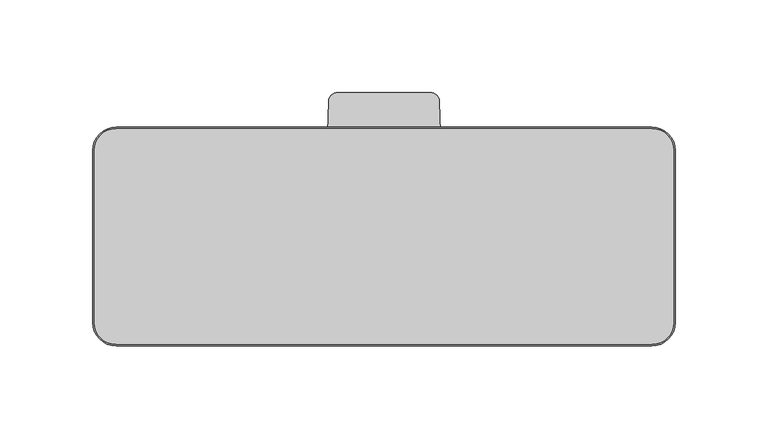
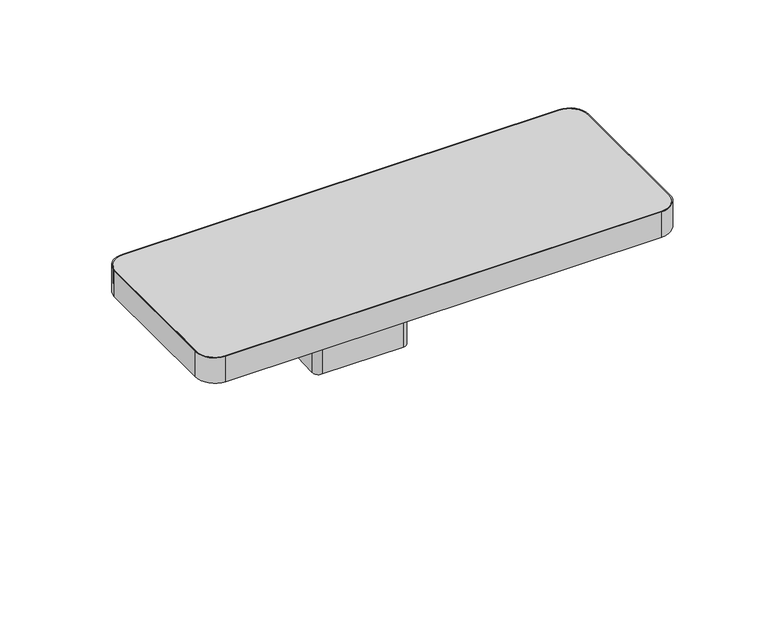
"""IFC4 building model written with IfcOpenShell, lengths in millimetres: furniture geometry."""

from ifc_helpers import new_model, si_unit, point, frame, frame_2d, origin, place, context, project, spatial, polyline, circle_curve, ellipse_curve, trimmed, segment, composite_curve, outline, extrude, source, transform, mapped, element, save
from ifc_brep_helpers import plane_surface, cylinder_surface, revolved_surface, advanced_brep


def furniture_bddc8b56(model_context):
    return source(origin(), model_context, "Body", "SolidModel", [
        extrude(outline(composite_curve([segment(trimmed(circle_curve(frame_2d((156.8628955, 34.0294017)), 2.8317204), [point((154.4105527, 35.4452603))], [point((156.8628955, 36.8611221))], False, "CARTESIAN"), True, "CONTINUOUS"), segment(polyline([(156.8628955, 36.8611221), (184.4029926, 36.8611221)]), True, "CONTINUOUS"), segment(trimmed(circle_curve(frame_2d((184.4029926, 35.3542475)), 1.5068746), [point((184.4029926, 36.8611221))], [point((185.7079839, 34.6008096))], False, "CARTESIAN"), True, "CONTINUOUS"), segment(polyline([(185.7079839, 34.6008096), (179.5098703, 23.8653748)]), True, "CONTINUOUS"), segment(trimmed(circle_curve(frame_2d((176.9425321, 25.34763)), 2.9645077), [point((179.5098703, 23.8653748))], [point((176.9425321, 22.3831223))], False, "CARTESIAN"), True, "CONTINUOUS"), segment(polyline([(176.9425321, 22.3831223), (149.4850524, 22.3831223)]), True, "CONTINUOUS"), segment(trimmed(circle_curve(frame_2d((149.4850524, 23.8934239)), 1.5103015), [point((149.4850524, 22.3831223))], [point((148.1770924, 24.6485738))], False, "CARTESIAN"), True, "CONTINUOUS"), segment(polyline([(148.1770924, 24.6485738), (154.4105527, 35.4452603)]), True, "CONTINUOUS")], self_intersect=False)), frame((0.0, 0.0, 664.3466583), z_axis=(0.0, 0.0, 1.0), x_axis=(1.0, 0.0, 0.0)), (0.0, 0.0, 1.0), 6.3499758),
        extrude(outline(composite_curve([segment(trimmed(circle_curve(frame_2d((166.9414998, 29.6060097)), 4.3703772), [point((171.311877, 29.6060097))], [point((162.5711225, 29.6060097))], False, "CARTESIAN"), True, "CONTINUOUS"), segment(trimmed(circle_curve(frame_2d((166.9414998, 29.6060097)), 4.3703772), [point((162.5711225, 29.6060097))], [point((171.311877, 29.6060097))], False, "CARTESIAN"), True, "CONTINUOUS")], self_intersect=False)), frame((0.0, 0.0, 656.1932316), z_axis=(0.0, 0.0, 1.0), x_axis=(1.0, 0.0, 0.0)), (0.0, 0.0, 1.0), 15.382782),
        advanced_brep(
        [(135.8452616, 4.647044, 763.7221333), (140.0971505, 0.2440849, 763.7221333), (193.785849, 0.2440849, 763.7221333), (198.0377379, 4.647044, 763.7221333), (197.8850226, 9.0202593, 763.7221333), (135.9979769, 9.0202593, 763.7221333), (142.0752315, 44.2440835, 671.5760136), (191.8077681, 44.2440835, 671.5760136), (196.8241502, 39.3998187, 671.5760136), (198.0377379, 4.647044, 671.5760136), (193.785849, 0.2440849, 671.5760136), (140.0971505, 0.2440849, 671.5760136), (135.8452616, 4.647044, 671.5760136), (137.0588493, 39.3998187, 671.5760136), (137.0588493, 39.3998187, 690.0453045), (142.0752315, 44.2440835, 689.9607474), (135.9979769, 9.0202593, 696.260042), (136.1964514, 14.7038529, 690.4763749), (196.8241502, 39.3998187, 690.0453045), (197.6865481, 14.7038529, 690.4763749), (197.8850226, 9.0202593, 696.260042), (191.8077681, 44.2440835, 689.9607474)],
        [
            (0, 1, circle_curve(frame((140.0971505, 4.4985655, 763.7221333), z_axis=(0.0, 0.0, 1.0), x_axis=(0.0, -1.0, 0.0)), 4.2544806)),
            (1, 2),
            (2, 3, circle_curve(frame((193.785849, 4.4985655, 763.7221333), z_axis=(0.0, 0.0, 1.0), x_axis=(0.0, -1.0, 0.0)), 4.2544806)),
            (3, 4),
            (4, 5),
            (5, 0),
            (6, 7),
            (7, 8, circle_curve(frame((191.8077681, 39.2246437, 671.5760136), z_axis=(0.0, 0.0, -1.0), x_axis=(0.0, -1.0, 0.0)), 5.0194399)),
            (8, 9),
            (9, 10, circle_curve(frame((193.785849, 4.4985655, 671.5760136), z_axis=(0.0, 0.0, -1.0), x_axis=(0.0, -1.0, 0.0)), 4.2544806)),
            (10, 11),
            (11, 12, circle_curve(frame((140.0971505, 4.4985655, 671.5760136), z_axis=(0.0, 0.0, -1.0), x_axis=(0.0, -1.0, 0.0)), 4.2544806)),
            (12, 13),
            (13, 6, circle_curve(frame((142.0752315, 39.2246437, 671.5760136), z_axis=(0.0, 0.0, -1.0), x_axis=(0.0, -1.0, 0.0)), 5.0194399)),
            (13, 14),
            (14, 15, ellipse_curve(frame((142.0752315, 39.2246437, 690.0483622), z_axis=(0.0, -0.017452436256974634, -0.9998476946358862), x_axis=(0.0, -0.9998476946358863, 0.017452436256970495)), 5.0202045, 5.0194399)),
            (15, 6),
            (12, 0),
            (5, 16),
            (16, 17, ellipse_curve(frame((136.1999768, 14.8048073, 696.260042), z_axis=(0.9993908330260296, -0.03489932468599737, 0.0), x_axis=(-0.034899324685995235, -0.9993908330260297, 0.0)), 5.788074, 5.7845481)),
            (17, 14),
            (11, 1),
            (10, 2),
            (9, 3),
            (8, 18),
            (18, 19),
            (19, 20, ellipse_curve(frame((197.6830227, 14.8048073, 696.260042), z_axis=(-0.9993908330260296, -0.034899324685997886, 0.0), x_axis=(-0.03489932468599472, 0.9993908330260296, 0.0)), 5.788074, 5.7845481)),
            (20, 4),
            (7, 21),
            (21, 18, ellipse_curve(frame((191.8077681, 39.2246437, 690.0483622), z_axis=(0.0, -0.017452436256974634, -0.9998476946358862), x_axis=(0.0, -0.9998476946358863, 0.017452436256970495)), 5.0202045, 5.0194399)),
            (15, 21),
            (17, 19),
            (16, 20),
        ],
        [
            plane_surface(frame((166.9414998, 0.0, 763.7221333), z_axis=(0.0, 0.0, 1.0), x_axis=(0.0, -1.0, 0.0))),
            plane_surface(frame((166.9414998, 0.0, 671.5760136), z_axis=(0.0, 0.0, -1.0), x_axis=(0.0, -1.0, 0.0))),
            cylinder_surface(frame((142.0752315, 39.2246437, 763.7221333), z_axis=(0.0, 0.0, 1.0), x_axis=(0.0, -1.0, 0.0)), 5.0194399),
            plane_surface(frame((137.0588493, 39.3998187, 763.7221333), z_axis=(-0.9993908330260296, 0.03489932468599737, 0.0), x_axis=(0.0, 0.0, -1.0))),
            cylinder_surface(frame((140.0971505, 4.4985655, 763.7221333), z_axis=(0.0, 0.0, 1.0), x_axis=(0.0, -1.0, 0.0)), 4.2544806),
            plane_surface(frame((140.0971505, 0.2440849, 763.7221333), z_axis=(0.0, -1.0, 0.0), x_axis=(0.0, 0.0, -1.0))),
            cylinder_surface(frame((193.785849, 4.4985655, 763.7221333), z_axis=(0.0, 0.0, 1.0), x_axis=(0.0, -1.0, 0.0)), 4.2544806),
            plane_surface(frame((198.0377379, 4.647044, 763.7221333), z_axis=(0.9993908330260296, 0.034899324685997886, 0.0), x_axis=(0.0, 0.0, -1.0))),
            cylinder_surface(frame((191.8077681, 39.2246437, 763.7221333), z_axis=(0.0, 0.0, 1.0), x_axis=(0.0, -1.0, 0.0)), 5.0194399),
            plane_surface(frame((191.8077681, 44.2440835, 763.7221333), z_axis=(0.0, 1.0, 0.0), x_axis=(0.0, 0.0, -1.0))),
            plane_surface(frame((132.9610456, 50.5257717, 689.8510999), z_axis=(0.0, 0.017452436256974634, 0.9998476946358862), x_axis=(1.0, 0.0, 0.0))),
            revolved_surface(polyline([(135.9979769, 20.589355400000002, 696.260042), (197.8850226, 20.589355400000002, 696.260042)]), (132.9610456, 14.8048073, 696.260042), (-1.0, 0.0, 0.0)),
            plane_surface(frame((132.9610456, 9.0202593, 696.260042), z_axis=(0.0, 1.0, 0.0), x_axis=(1.0, 0.0, 0.0))),
        ],
        [
            (0, [[1, 2, 3, 4, 5, 6]]),
            (1, [[7, 8, 9, 10, 11, 12, 13, 14]]),
            (2, [[-14, 15, 16, 17]]),
            (3, [[-13, 18, -6, 19, 20, 21, -15]]),
            (4, [[-1, -18, -12, 22]]),
            (5, [[-2, -22, -11, 23]]),
            (6, [[-3, -23, -10, 24]]),
            (7, [[-9, 25, 26, 27, 28, -4, -24]]),
            (8, [[-8, 29, 30, -25]]),
            (9, [[-7, -17, 31, -29]]),
            (10, [[32, -26, -30, -31, -16, -21]]),
            (11, [[-32, -20, 33, -27]]),
            (12, [[-33, -19, -5, -28]]),
        ],
    ),
        extrude(outline(composite_curve([segment(polyline([(122.2618323, 3.1905943), (122.2618323, 9.3751732), (154.4124498, 9.3751732), (154.4124498, -0.3522853), (146.1370102, -0.3522853), (145.0742878, -30.7841363)]), True, "CONTINUOUS"), segment(trimmed(circle_curve(frame_2d((129.1960237, -30.2296454)), 15.887943), [point((145.0742878, -30.7841363))], [point((129.1960237, -46.1175884))], False, "CARTESIAN"), True, "CONTINUOUS"), segment(polyline([(129.1960237, -46.1175884), (123.9837112, -46.1175884), (122.2618323, 3.1905943)]), True, "CONTINUOUS")], self_intersect=False)), frame((0.0, 0.0, 759.8576955), z_axis=(0.0, 0.0, 1.0), x_axis=(1.0, 0.0, 0.0)), (0.0, 0.0, 1.0), 3.8644377),
        extrude(outline(composite_curve([segment(polyline([(211.6211672, 3.1905943), (209.8992883, -46.1175884), (204.6869759, -46.1175884)]), True, "CONTINUOUS"), segment(trimmed(circle_curve(frame_2d((204.6869759, -30.2296454)), 15.887943), [point((204.6869759, -46.1175884))], [point((188.8087117, -30.7841363))], False, "CARTESIAN"), True, "CONTINUOUS"), segment(polyline([(188.8087117, -30.7841363), (187.7459893, -0.3522853), (179.4705497, -0.3522853), (179.4705497, 9.3751732), (211.6211672, 9.3751732), (211.6211672, 3.1905943)]), True, "CONTINUOUS")], self_intersect=False)), frame((0.0, 0.0, 759.8576955), z_axis=(0.0, 0.0, 1.0), x_axis=(1.0, 0.0, 0.0)), (0.0, 0.0, 1.0), 3.8644377),
        extrude(outline(composite_curve([segment(trimmed(circle_curve(frame_2d((311.4040179, -79.9168577)), 11.9176917), [point((323.3217097, -79.9168577))], [point((311.4040179, -91.8345494))], False, "CARTESIAN"), True, "CONTINUOUS"), segment(polyline([(311.4040179, -91.8345494), (22.4789952, -91.8345494)]), True, "CONTINUOUS"), segment(trimmed(circle_curve(frame_2d((22.4789952, -79.9168577)), 11.9176917), [point((22.4789952, -91.8345494))], [point((10.5613035, -79.9168577))], False, "CARTESIAN"), True, "CONTINUOUS"), segment(polyline([(10.5613035, -79.9168577), (10.5613035, 12.8936844)]), True, "CONTINUOUS"), segment(trimmed(circle_curve(frame_2d((22.4789952, 12.8936844)), 11.9176917), [point((10.5613035, 12.8936844))], [point((22.4789952, 24.8113762))], False, "CARTESIAN"), True, "CONTINUOUS"), segment(polyline([(22.4789952, 24.8113762), (311.4040179, 24.8113762)]), True, "CONTINUOUS"), segment(trimmed(circle_curve(frame_2d((311.4040179, 12.8936844)), 11.9176917), [point((311.4040179, 24.8113762))], [point((323.3217097, 12.8936844))], False, "CARTESIAN"), True, "CONTINUOUS"), segment(polyline([(323.3217097, 12.8936844), (323.3217097, -79.9168577)]), True, "CONTINUOUS")], self_intersect=False)), frame((0.0, 0.0, 769.8498842), z_axis=(0.0, 0.0, 1.0), x_axis=(1.0, 0.0, 0.0)), (0.0, 0.0, 1.0), 11.5251686),
        extrude(outline(composite_curve([segment(polyline([(9.7789952, -79.9168577), (9.7789952, 12.8936844)]), True, "CONTINUOUS"), segment(trimmed(circle_curve(frame_2d((22.4789952, 12.8936844)), 12.7), [point((9.7789952, 12.8936844))], [point((22.4789952, 25.5936844))], False, "CARTESIAN"), True, "CONTINUOUS"), segment(polyline([(22.4789952, 25.5936844), (311.4040179, 25.5936844)]), True, "CONTINUOUS"), segment(trimmed(circle_curve(frame_2d((311.4040179, 12.8936844)), 12.7), [point((311.4040179, 25.5936844))], [point((324.1040179, 12.8936844))], False, "CARTESIAN"), True, "CONTINUOUS"), segment(polyline([(324.1040179, 12.8936844), (324.1040179, -79.9168577)]), True, "CONTINUOUS"), segment(trimmed(circle_curve(frame_2d((311.4040179, -79.9168577)), 12.7), [point((324.1040179, -79.9168577))], [point((311.4040179, -92.6168577))], False, "CARTESIAN"), True, "CONTINUOUS"), segment(polyline([(311.4040179, -92.6168577), (22.4789952, -92.6168577)]), True, "CONTINUOUS"), segment(trimmed(circle_curve(frame_2d((22.4789952, -79.9168577)), 12.7), [point((22.4789952, -92.6168577))], [point((9.7789952, -79.9168577))], False, "CARTESIAN"), True, "CONTINUOUS")], self_intersect=False), holes=[composite_curve([segment(polyline([(311.4040179, 24.8113762), (22.4789952, 24.8113762)]), True, "CONTINUOUS"), segment(trimmed(circle_curve(frame_2d((22.4789952, 12.8936844)), 11.9176917), [point((22.4789952, 24.8113762))], [point((10.5613035, 12.8936844))], True, "CARTESIAN"), True, "CONTINUOUS"), segment(polyline([(10.5613035, 12.8936844), (10.5613035, -79.9168577)]), True, "CONTINUOUS"), segment(trimmed(circle_curve(frame_2d((22.4789952, -79.9168577)), 11.9176917), [point((10.5613035, -79.9168577))], [point((22.4789952, -91.8345494))], True, "CARTESIAN"), True, "CONTINUOUS"), segment(polyline([(22.4789952, -91.8345494), (311.4040179, -91.8345494)]), True, "CONTINUOUS"), segment(trimmed(circle_curve(frame_2d((311.4040179, -79.9168577)), 11.9176917), [point((311.4040179, -91.8345494))], [point((323.3217097, -79.9168577))], True, "CARTESIAN"), True, "CONTINUOUS"), segment(polyline([(323.3217097, -79.9168577), (323.3217097, 12.8936844)]), True, "CONTINUOUS"), segment(trimmed(circle_curve(frame_2d((311.4040179, 12.8936844)), 11.9176917), [point((323.3217097, 12.8936844))], [point((311.4040179, 24.8113762))], True, "CARTESIAN"), True, "CONTINUOUS")], self_intersect=False)]), frame((0.0, 0.0, 763.7221333), z_axis=(0.0, 0.0, 1.0), x_axis=(1.0, 0.0, 0.0)), (0.0, 0.0, 1.0), 17.6529196),
    ])


if __name__ == "__main__":
    model = new_model("IFC4")
    model_context = context("Model", 3, world=origin())
    ifc_project = project(units=[si_unit("LENGTHUNIT", "METRE", prefix="MILLI")], contexts=[model_context])
    site = spatial("IfcSite", under=ifc_project)
    building = spatial("IfcBuilding", under=site)
    placement = place(None, origin())
    furniture_shape = furniture_bddc8b56(model_context)
    element("IfcFurniture", 1, at=placement, inside=building, context=model_context, shape_type="MappedRepresentation", body=[
        mapped(furniture_shape, transform((0.0, 0.0, 0.0), x_axis=(1.0, 0.0, 0.0), y_axis=(0.0, 1.0, 0.0), z_axis=(0.0, 0.0, 1.0))),
    ])
    save(model, "model.ifc")
